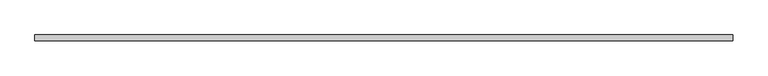
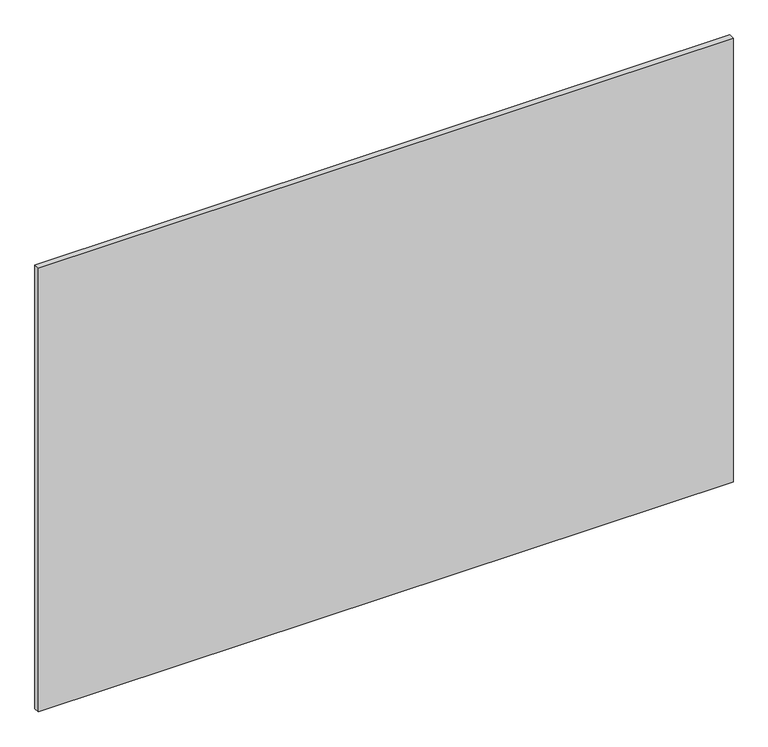
"""IFC4 building model written with IfcOpenShell, lengths in millimetres: plate geometry."""

import ifcopenshell
import ifcopenshell.guid

model = None  # the IFC model being written
_history = None  # IfcOwnerHistory: only IFC2X3 demands one
_inside = {}  # id of a spatial element -> (the spatial element, [elements in it])
_under = {}  # id of a project, library or spatial element -> (it, [spatial elements below it])
_declared = {}  # id of a project -> (the project, [libraries it declares])
_typed = {}  # id of a type object -> (the type object, [elements of that type])
_made_of = {}  # id of a material, layer set ... -> (it, [elements and type objects made of it])


def new_model(schema):
    """Start an empty IFC model of exactly this schema.

    Asked for "IFC4X3", IfcOpenShell would pick the latest addendum, in which some entities
    have other attributes; the version numbers below select the first issue.
    IFC2X3 requires an IfcOwnerHistory on every rooted entity: one is made here for all.
    """
    global model, _history
    if schema == "IFC4X3":
        model = ifcopenshell.file(schema_version=(4, 3, 0, 0))
    else:
        model = ifcopenshell.file(schema=schema)
    _inside.clear()
    _under.clear()
    _declared.clear()
    _typed.clear()
    _made_of.clear()
    _history = None
    if model.schema == "IFC2X3":
        org = make("IfcOrganization", Name="unknown")
        user = make(
            "IfcPersonAndOrganization",
            ThePerson=make("IfcPerson", FamilyName="unknown"),
            TheOrganization=org,
        )
        app = make(
            "IfcApplication",
            ApplicationDeveloper=org,
            Version="unknown",
            ApplicationFullName="unknown",
            ApplicationIdentifier="unknown",
        )
        _history = make(
            "IfcOwnerHistory",
            OwningUser=user,
            OwningApplication=app,
            ChangeAction="ADDED",
            CreationDate=0,
        )
    return model


def make(cls, **values):
    """One entity of the class cls with the attributes given. An attribute that is None is left unset."""
    return model.create_entity(
        cls, **{name: value for name, value in values.items() if value is not None}
    )


def rooted(cls, **values):
    """An entity with a GlobalId (a new one), such as an element, a storey or a relation."""
    return make(cls, GlobalId=ifcopenshell.guid.new(), OwnerHistory=_history, **values)


def si_unit(unit_type, name, prefix=None):
    """IfcSIUnit, for example si_unit("LENGTHUNIT", "METRE", prefix="MILLI")."""
    return make("IfcSIUnit", UnitType=unit_type, Prefix=prefix, Name=name)


def assignment(units):
    """IfcUnitAssignment: the units of a project."""
    return None if units is None else make("IfcUnitAssignment", Units=units)


def point(xyz):
    """IfcCartesianPoint."""
    return None if xyz is None else make("IfcCartesianPoint", Coordinates=xyz)


def direction(xyz):
    """IfcDirection."""
    return None if xyz is None else make("IfcDirection", DirectionRatios=xyz)


def frame(location, z_axis=None, x_axis=None):
    """IfcAxis2Placement3D, a coordinate frame: its origin and axes. An axis left out is left unset."""
    return make(
        "IfcAxis2Placement3D",
        Location=point(location),
        Axis=direction(z_axis),
        RefDirection=direction(x_axis),
    )


def origin():
    """The frame at (0, 0, 0) with its axes left unset."""
    return frame((0.0, 0.0, 0.0))


def origin_with_axes():
    """The frame at (0, 0, 0) with the z axis (0, 0, 1) and the x axis (1, 0, 0) written out."""
    return frame((0.0, 0.0, 0.0), z_axis=(0.0, 0.0, 1.0), x_axis=(1.0, 0.0, 0.0))


def place(relative_to, where):
    """IfcLocalPlacement: puts the frame where relative to a parent placement (None: the world)."""
    return make(
        "IfcLocalPlacement", PlacementRelTo=relative_to, RelativePlacement=where
    )


def context(
    kind, dimensions, precision=None, world=None, true_north=None, identifier=None
):
    """IfcGeometricRepresentationContext, for example the 3D "Model" context."""
    return make(
        "IfcGeometricRepresentationContext",
        ContextIdentifier=identifier,
        ContextType=kind,
        CoordinateSpaceDimension=dimensions,
        Precision=precision,
        WorldCoordinateSystem=world,
        TrueNorth=true_north,
    )


def project(units=None, contexts=None):
    """IfcProject with its units and contexts."""
    return rooted(
        "IfcProject",
        Name="project",
        RepresentationContexts=contexts,
        UnitsInContext=assignment(units),
    )


def spatial(cls, under=None, at=None, **own):
    """A site, building, storey or space (cls), placed at a placement, below another one or the project."""
    s = rooted(cls, ObjectPlacement=at, **own)
    if under is not None:
        _under.setdefault(under.id(), (under, []))[1].append(s)
    return s


def polyline(points):
    """IfcPolyline through the points."""
    return make("IfcPolyline", Points=[point(p) for p in points])


def outline(outer, holes=None, kind="AREA"):
    """IfcArbitraryClosedProfileDef: a profile drawn as a closed curve; with holes, ...WithVoids."""
    if holes is None:
        return make("IfcArbitraryClosedProfileDef", ProfileType=kind, OuterCurve=outer)
    return make(
        "IfcArbitraryProfileDefWithVoids",
        ProfileType=kind,
        OuterCurve=outer,
        InnerCurves=holes,
    )


def extrude(swept, where, along, depth):
    """IfcExtrudedAreaSolid: the profile swept, set in the frame where, extruded along a direction by depth."""
    return make(
        "IfcExtrudedAreaSolid",
        SweptArea=swept,
        Position=where,
        ExtrudedDirection=direction(along),
        Depth=depth,
    )


def shape(context_of_items, identifier, shape_type, items):
    """IfcShapeRepresentation: the items that make up one representation, for example the "Body"."""
    return make(
        "IfcShapeRepresentation",
        ContextOfItems=context_of_items,
        RepresentationIdentifier=identifier,
        RepresentationType=shape_type,
        Items=items,
    )


def source(mapping_origin, context_of_items, identifier, shape_type, items):
    """IfcRepresentationMap: a shape defined once, which mapped items show again and again."""
    return make(
        "IfcRepresentationMap",
        MappingOrigin=mapping_origin,
        MappedRepresentation=shape(context_of_items, identifier, shape_type, items),
    )


def transform(
    local_origin,
    x_axis=None,
    y_axis=None,
    z_axis=None,
    scale=None,
    scale2=None,
    scale3=None,
    uniform=True,
):
    """IfcCartesianTransformationOperator3D, or its non-uniform kind. x_axis, y_axis, z_axis: its Axis1, 2, 3."""
    if uniform:
        return make(
            "IfcCartesianTransformationOperator3D",
            Axis1=direction(x_axis),
            Axis2=direction(y_axis),
            LocalOrigin=point(local_origin),
            Scale=scale,
            Axis3=direction(z_axis),
        )
    return make(
        "IfcCartesianTransformationOperator3DnonUniform",
        Axis1=direction(x_axis),
        Axis2=direction(y_axis),
        LocalOrigin=point(local_origin),
        Scale=scale,
        Axis3=direction(z_axis),
        Scale2=scale2,
        Scale3=scale3,
    )


def mapped(mapping_source, mapping_target):
    """IfcMappedItem: shows the shape of a source again, moved by a transform."""
    return make(
        "IfcMappedItem", MappingSource=mapping_source, MappingTarget=mapping_target
    )


def made_of(thing, what):
    """Note that an element or type object is made of a material, layer set ...; save() writes the relation."""
    if what is not None:
        _made_of.setdefault(what.id(), (what, []))[1].append(thing)
    return thing


def element(
    cls,
    number,
    at=None,
    inside=None,
    cuts=None,
    type_object=None,
    material=None,
    context=None,
    identifier="Body",
    shape_type=None,
    held_by="IfcProductDefinitionShape",
    body=None,
    shapes=None,
    **own,
):
    """One element of the class cls, such as IfcWall. Its Tag is "e" and its number.

    at: its placement. inside: the storey or other place that contains it. cuts: it is an
    opening in that element (IfcRelVoidsElement). A single representation is given by context,
    identifier, shape_type and body (its items); several are given by shapes. held_by: the class
    of the entity that holds the representations. save() writes the other relations.
    """
    e = rooted(cls, Tag="e%d" % number, ObjectPlacement=at, **own)
    if body is not None:
        shapes = [shape(context, identifier, shape_type, body)]
    if shapes is not None:
        e.Representation = make(held_by, Representations=shapes)
    if inside is not None:
        _inside.setdefault(inside.id(), (inside, []))[1].append(e)
    if cuts is not None:
        rooted(
            "IfcRelVoidsElement", RelatingBuildingElement=cuts, RelatedOpeningElement=e
        )
    if type_object is not None:
        _typed.setdefault(type_object.id(), (type_object, []))[1].append(e)
    return made_of(e, material)


def aggregate(whole, parts):
    """IfcRelAggregates: a whole, such as a stair, and the parts it consists of."""
    return rooted("IfcRelAggregates", RelatingObject=whole, RelatedObjects=parts)


def save(model, path):
    """Write the relations noted so far, then the file.

    IfcRelAggregates (storeys below a building ...), IfcRelContainedInSpatialStructure (elements
    in a storey), IfcRelDefinesByType, IfcRelAssociatesMaterial and IfcRelDeclares: one each for
    every whole, place, type object, material and project.
    """
    for whole, parts in _under.values():
        aggregate(whole, parts)
    for where, things in _inside.values():
        rooted(
            "IfcRelContainedInSpatialStructure",
            RelatedElements=things,
            RelatingStructure=where,
        )
    for kind, things in _typed.values():
        rooted("IfcRelDefinesByType", RelatedObjects=things, RelatingType=kind)
    for what, things in _made_of.values():
        rooted("IfcRelAssociatesMaterial", RelatedObjects=things, RelatingMaterial=what)
    for by, libraries in _declared.values():
        rooted("IfcRelDeclares", RelatingContext=by, RelatedDefinitions=libraries)
    model.write(path)


def plate_bcd78cbd(model_context):
    return source(origin(), model_context, "Body", "SweptSolid", [
        extrude(outline(polyline([(636.9, 5.2), (636.9, -5.2), (-636.9, -5.2), (-636.9, 5.2), (636.9, 5.2)])), origin_with_axes(), (0.0, 0.0, 1.0), 860.7),
    ])


if __name__ == "__main__":
    model = new_model("IFC4")
    model_context = context("Model", 3, world=origin())
    ifc_project = project(units=[si_unit("LENGTHUNIT", "METRE", prefix="MILLI")], contexts=[model_context])
    site = spatial("IfcSite", under=ifc_project)
    building = spatial("IfcBuilding", under=site)
    placement = place(None, origin())
    plate_shape = plate_bcd78cbd(model_context)
    element("IfcPlate", 1, at=placement, inside=building, context=model_context, shape_type="MappedRepresentation", body=[
        mapped(plate_shape, transform((0.0, 0.0, 0.0), x_axis=(1.0, 0.0, 0.0), y_axis=(0.0, 1.0, 0.0), z_axis=(0.0, 0.0, 1.0))),
    ])
    save(model, "model.ifc")
